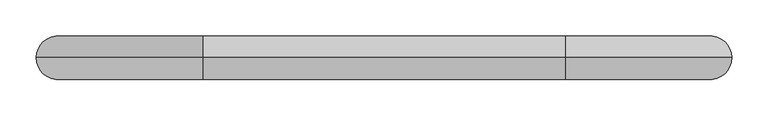
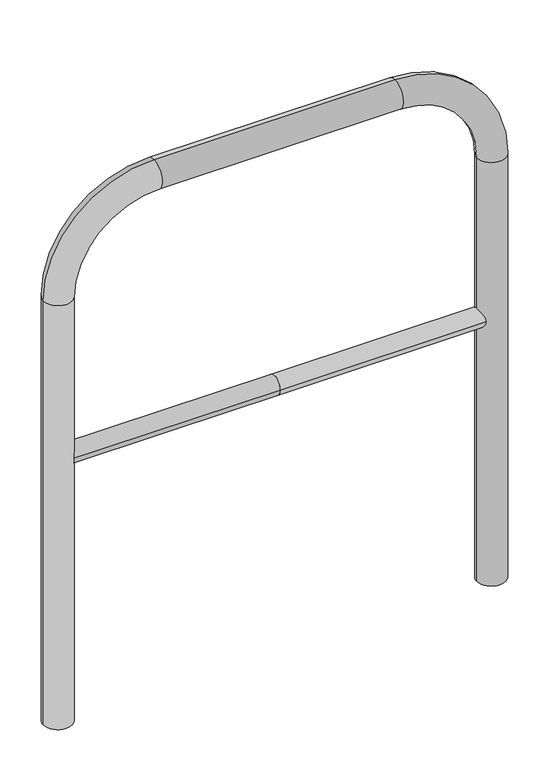
"""IFC4 building model written with IfcOpenShell, lengths in millimetres: proxy geometry."""

from ifc_helpers import new_model, si_unit, point, frame, frame_2d, origin, place, context, project, spatial, circle_curve, ellipse_curve, trimmed, segment, composite_curve, outline, extrude, source, transform, mapped, element, save
from ifc_brep_helpers import plane_surface, cylinder_surface, revolved_surface, advanced_brep


def generic_models_8136d1e2(model_context):
    return source(origin(), model_context, "Body", "SolidModel", [
        extrude(outline(composite_curve([segment(trimmed(circle_curve(frame_2d((0.0, 498.4778375)), 20.0), [point((-20.0, 498.4778375))], [point((20.0, 498.4778375))], False, "CARTESIAN"), True, "CONTINUOUS"), segment(trimmed(circle_curve(frame_2d((0.0, 498.4778375)), 20.0), [point((20.0, 498.4778375))], [point((-20.0, 498.4778375))], False, "CARTESIAN"), True, "CONTINUOUS")], self_intersect=False)), frame((-450.0, 0.0, 0.0), z_axis=(1.0, 0.0, 0.0), x_axis=(0.0, 1.0, 0.0)), (0.0, 0.0, 1.0), 450.0),
        extrude(outline(composite_curve([segment(trimmed(circle_curve(frame_2d((0.0, 498.4778375)), 20.0), [point((-20.0, 498.4778375))], [point((20.0, 498.4778375))], False, "CARTESIAN"), True, "CONTINUOUS"), segment(trimmed(circle_curve(frame_2d((0.0, 498.4778375)), 20.0), [point((20.0, 498.4778375))], [point((-20.0, 498.4778375))], False, "CARTESIAN"), True, "CONTINUOUS")], self_intersect=False)), frame((0.0, 0.0, 0.0), z_axis=(1.0, 0.0, 0.0), x_axis=(0.0, 1.0, 0.0)), (0.0, 0.0, 1.0), 450.0),
        advanced_brep(
        [(-420.0, 0.0, -80.0), (-480.0, 0.0, -80.0), (-420.0, 0.0, 850.0), (-480.0, 0.0, 850.0), (-250.0, 0.0, 1080.0), (-250.0, 0.0, 1020.0), (250.0, 0.0, 1020.0), (250.0, 0.0, 1080.0), (480.0, 0.0, 850.0), (420.0, 0.0, 850.0), (420.0, 0.0, -80.0), (480.0, 0.0, -80.0)],
        [
            (0, 1, circle_curve(frame((-450.0, 0.0, -80.0), z_axis=(0.0, 0.0, -1.0), x_axis=(-1.0, 0.0, 0.0)), 30.0)),
            (1, 0, circle_curve(frame((-450.0, 0.0, -80.0), z_axis=(0.0, 0.0, -1.0), x_axis=(-1.0, 0.0, 0.0)), 30.0)),
            (0, 2),
            (2, 3, circle_curve(frame((-450.0, 0.0, 850.0), z_axis=(0.0, 0.0, -1.0), x_axis=(-1.0, 0.0, 0.0)), 30.0)),
            (3, 1),
            (3, 2, circle_curve(frame((-450.0, 0.0, 850.0), z_axis=(0.0, 0.0, -1.0), x_axis=(-1.0, 0.0, 0.0)), 30.0)),
            (4, 3, circle_curve(frame((-250.0, 0.0, 850.0), z_axis=(0.0, -1.0, 0.0), x_axis=(-1.0, 0.0, 0.0)), 230.0)),
            (2, 5, circle_curve(frame((-250.0, 0.0, 850.0), z_axis=(0.0, 1.0, 0.0), x_axis=(-1.0, 0.0, 0.0)), 170.0)),
            (5, 4, circle_curve(frame((-250.0, 0.0, 1050.0), z_axis=(-1.0, 0.0, 0.0), x_axis=(0.0, 0.0, 1.0)), 30.0)),
            (4, 5, circle_curve(frame((-250.0, 0.0, 1050.0), z_axis=(-1.0, 0.0, 0.0), x_axis=(0.0, 0.0, 1.0)), 30.0)),
            (5, 6),
            (6, 7, circle_curve(frame((250.0, 0.0, 1050.0), z_axis=(-1.0, 0.0, 0.0), x_axis=(0.0, 0.0, 1.0)), 30.0)),
            (7, 4),
            (7, 6, circle_curve(frame((250.0, 0.0, 1050.0), z_axis=(-1.0, 0.0, 0.0), x_axis=(0.0, 0.0, 1.0)), 30.0)),
            (8, 7, circle_curve(frame((250.0, 0.0, 850.0), z_axis=(0.0, -1.0, 0.0), x_axis=(0.0, 0.0, 1.0)), 230.0)),
            (6, 9, circle_curve(frame((250.0, 0.0, 850.0), z_axis=(0.0, 1.0, 0.0), x_axis=(0.0, 0.0, 1.0)), 170.0)),
            (9, 8, circle_curve(frame((450.0, 0.0, 850.0), z_axis=(0.0, 0.0, 1.0), x_axis=(1.0, 0.0, 0.0)), 30.0)),
            (8, 9, circle_curve(frame((450.0, 0.0, 850.0), z_axis=(0.0, 0.0, 1.0), x_axis=(1.0, 0.0, 0.0)), 30.0)),
            (10, 11, circle_curve(frame((450.0, 0.0, -80.0), z_axis=(0.0, 0.0, -1.0), x_axis=(1.0, 0.0, 0.0)), 30.0)),
            (11, 10, circle_curve(frame((450.0, 0.0, -80.0), z_axis=(0.0, 0.0, -1.0), x_axis=(1.0, 0.0, 0.0)), 30.0)),
            (9, 10),
            (11, 8),
        ],
        [
            plane_surface(frame((-450.0, 0.0, -80.0), z_axis=(0.0, 0.0, -1.0), x_axis=(0.0, -1.0, 0.0))),
            cylinder_surface(frame((-450.0, 0.0, -80.0), z_axis=(0.0, 0.0, -1.0), x_axis=(-1.0, 0.0, 0.0)), 30.0),
            revolved_surface(trimmed(ellipse_curve(frame((-450.0, 0.0, 850.0), z_axis=(0.0, 0.0, -1.0), x_axis=(-1.0, 0.0, 0.0)), 30.0, 30.0), [point((-420.0, 0.0, 850.0))], [point((-480.0, 0.0, 850.0))], True, "CARTESIAN"), (-250.0, 0.0, 850.0), (0.0, 1.0, 0.0)),
            revolved_surface(trimmed(ellipse_curve(frame((-450.0, 0.0, 850.0), z_axis=(0.0, 0.0, -1.0), x_axis=(-1.0, 0.0, 0.0)), 30.0, 30.0), [point((-480.0, 0.0, 850.0))], [point((-420.0, 0.0, 850.0))], True, "CARTESIAN"), (-250.0, 0.0, 850.0), (0.0, 1.0, 0.0)),
            cylinder_surface(frame((-250.0, 0.0, 1050.0), z_axis=(-1.0, 0.0, 0.0), x_axis=(0.0, 0.0, 1.0)), 30.0),
            revolved_surface(trimmed(ellipse_curve(frame((250.0, 0.0, 1050.0), z_axis=(-1.0, 0.0, 0.0), x_axis=(0.0, 0.0, 1.0)), 30.0, 30.0), [point((250.0, 0.0, 1020.0))], [point((250.0, 0.0, 1080.0))], True, "CARTESIAN"), (250.0, 0.0, 850.0), (0.0, 1.0, 0.0)),
            revolved_surface(trimmed(ellipse_curve(frame((250.0, 0.0, 1050.0), z_axis=(-1.0, 0.0, 0.0), x_axis=(0.0, 0.0, 1.0)), 30.0, 30.0), [point((250.0, 0.0, 1080.0))], [point((250.0, 0.0, 1020.0))], True, "CARTESIAN"), (250.0, 0.0, 850.0), (0.0, 1.0, 0.0)),
            plane_surface(frame((450.0, 0.0, -80.0), z_axis=(0.0, 0.0, -1.0), x_axis=(0.0, -1.0, 0.0))),
            cylinder_surface(frame((450.0, 0.0, 850.0), z_axis=(0.0, 0.0, 1.0), x_axis=(1.0, 0.0, 0.0)), 30.0),
        ],
        [
            (0, [[1, 2]]),
            (1, [[-1, 3, 4, 5]]),
            (1, [[-2, -5, 6, -3]]),
            (2, [[7, -4, 8, 9]]),
            (3, [[-8, -6, -7, 10]]),
            (4, [[-9, 11, 12, 13]]),
            (4, [[-10, -13, 14, -11]]),
            (5, [[15, -12, 16, 17]]),
            (6, [[-16, -14, -15, 18]]),
            (7, [[19, 20]]),
            (8, [[-17, 21, -20, 22]]),
            (8, [[-18, -22, -19, -21]]),
        ],
    ),
    ])


if __name__ == "__main__":
    model = new_model("IFC4")
    model_context = context("Model", 3, world=origin())
    ifc_project = project(units=[si_unit("LENGTHUNIT", "METRE", prefix="MILLI")], contexts=[model_context])
    site = spatial("IfcSite", under=ifc_project)
    building = spatial("IfcBuilding", under=site)
    placement = place(None, origin())
    generic_models_shape = generic_models_8136d1e2(model_context)
    element("IfcBuildingElementProxy", 1, Name="Generic Models", at=placement, inside=building, context=model_context, shape_type="MappedRepresentation", body=[
        mapped(generic_models_shape, transform((0.0, 0.0, 0.0), x_axis=(1.0, 0.0, 0.0), y_axis=(0.0, 1.0, 0.0), z_axis=(0.0, 0.0, 1.0))),
    ])
    save(model, "model.ifc")
